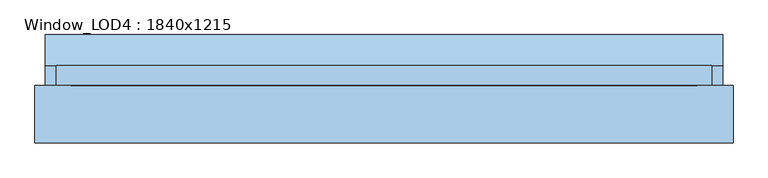
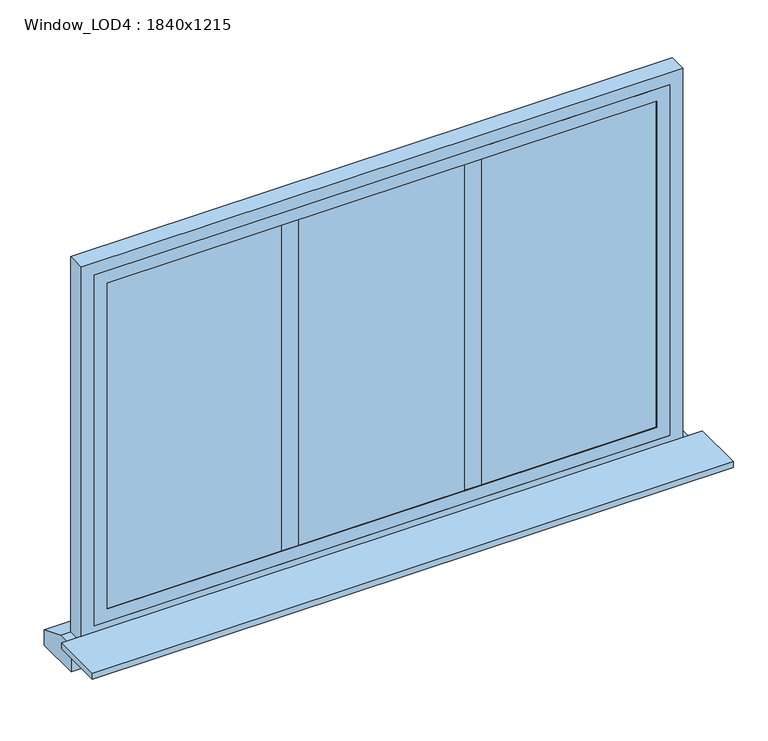
"""IFC4 building model written with IfcOpenShell, lengths in millimetres: window geometry, Window_LOD4 : 1840x1215."""

from ifc_helpers import new_model, si_unit, frame, origin, place, context, project, spatial, polyline, outline, extrude, source, transform, mapped, element, save


def window_lod4_1840x1215_c20e0127(model_context):
    return source(origin(), model_context, "Body", "SweptSolid", [
        extrude(outline(polyline([(305.0000123, 100.0), (305.0000123, 50.0), (255.0000123, 50.0), (255.0000123, 100.0), (305.0000123, 100.0)])), frame((0.0, 0.0, 880.0), z_axis=(0.0, 0.0, 1.0), x_axis=(1.0, 0.0, 0.0)), (0.0, 0.0, 1.0), 1055.0000487),
        extrude(outline(polyline([(-255.0000123, 100.0), (-255.0000123, 50.0), (-305.0000123, 50.0), (-305.0000123, 100.0), (-255.0000123, 100.0)])), frame((0.0, 0.0, 880.0), z_axis=(0.0, 0.0, 1.0), x_axis=(1.0, 0.0, 0.0)), (0.0, 0.0, 1.0), 1055.0000487),
        extrude(outline(polyline([(840.0000368, 50.0), (-840.0000368, 50.0), (-840.0000368, 100.0), (840.0000368, 100.0), (840.0000368, 50.0)])), frame((0.0, 0.0, 880.0), z_axis=(0.0, 0.0, 1.0), x_axis=(1.0, 0.0, 0.0)), (0.0, 0.0, 1.0), 1055.0000487),
        extrude(outline(polyline([(1975.0000487, -880.0000368), (840.0, -880.0000368), (840.0, 880.0000368), (1975.0000487, 880.0000368), (1975.0000487, -880.0000368)]), holes=[polyline([(1935.0000487, -840.0000368), (1935.0000487, 840.0000368), (880.0, 840.0000368), (880.0, -840.0000368), (1935.0000487, -840.0000368)])]), frame((0.0, 47.5, 0.0), z_axis=(0.0, 1.0, 0.0), x_axis=(0.0, 0.0, 1.0)), (0.0, 0.0, 1.0), 55.0),
        extrude(outline(polyline([(102.5, 800.0), (189.480764, 765.0), (189.480764, 715.0), (47.5, 715.0), (47.5, 800.0), (102.5, 800.0)])), frame((-950.8151866, 0.0, 0.0), z_axis=(1.0, 0.0, 0.0), x_axis=(0.0, 1.0, 0.0)), (0.0, 0.0, 1.0), 1901.6303733),
        extrude(outline(polyline([(2015.0000487, -920.0000368), (800.0, -920.0000368), (800.0, 920.0000368), (2015.0000487, 920.0000368), (2015.0000487, -920.0000368)]), holes=[polyline([(1975.0000487, -880.0000368), (1975.0000487, 880.0000368), (840.0, 880.0000368), (840.0, -880.0000368), (1975.0000487, -880.0000368)])]), frame((0.0, 47.5, 0.0), z_axis=(0.0, 1.0, 0.0), x_axis=(0.0, 0.0, 1.0)), (0.0, 0.0, 1.0), 55.0),
        extrude(outline(polyline([(980.0000368, 47.5), (980.0000368, -115.116658), (-980.0000368, -115.116658), (-980.0000368, 47.5), (980.0000368, 47.5)])), frame((0.0, 0.0, 800.0), z_axis=(0.0, 0.0, 1.0), x_axis=(1.0, 0.0, 0.0)), (0.0, 0.0, 1.0), 20.0),
    ])


if __name__ == "__main__":
    model = new_model("IFC4")
    model_context = context("Model", 3, world=origin())
    ifc_project = project(units=[si_unit("LENGTHUNIT", "METRE", prefix="MILLI")], contexts=[model_context])
    site = spatial("IfcSite", under=ifc_project)
    building = spatial("IfcBuilding", under=site)
    placement = place(None, origin())
    window_lod4_1840x1215_shape = window_lod4_1840x1215_c20e0127(model_context)
    element("IfcWindow", 1, ObjectType="Window_LOD4 : 1840x1215", at=placement, inside=building, context=model_context, shape_type="MappedRepresentation", body=[
        mapped(window_lod4_1840x1215_shape, transform((0.0, 0.0, 0.0), x_axis=(1.0, 0.0, 0.0), y_axis=(0.0, 1.0, 0.0), z_axis=(0.0, 0.0, 1.0))),
    ])
    save(model, "model.ifc")
